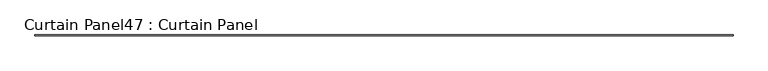
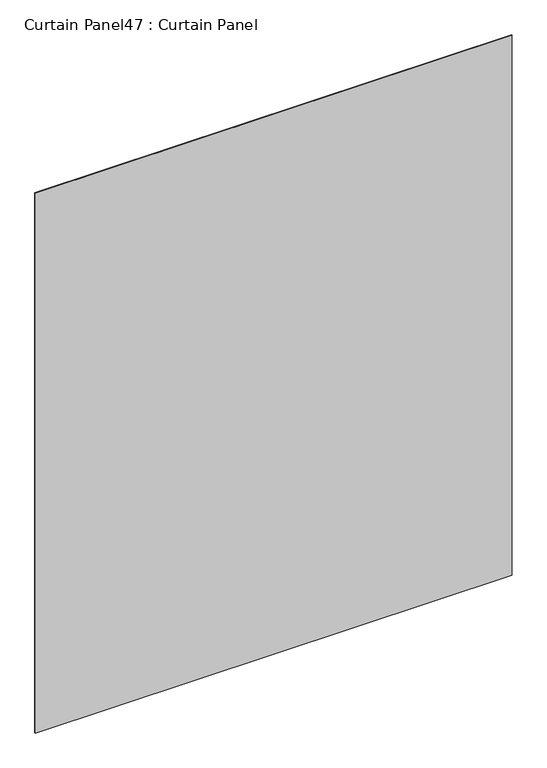
"""IFC4 building model written with IfcOpenShell, lengths in millimetres: plate geometry, Curtain Panel47 : Curtain Panel."""

from ifc_helpers import new_model, si_unit, frame, origin, place, context, project, spatial, polyline, outline, extrude, source, transform, mapped, element, save


def curtain_panel47_curtain_panel_255a4239(model_context):
    return source(origin(), model_context, "Body", "SweptSolid", [
        extrude(outline(polyline([(26584.1304088, 1762.4010947), (21351.7304088, 1762.4010947), (21351.7304088, 1768.7510947), (26584.1304088, 1768.7510947), (26584.1304088, 1762.4010947)])), frame((0.0, 0.0, 1554.4459678), z_axis=(0.0, 0.0, 1.0), x_axis=(1.0, 0.0, 0.0)), (0.0, 0.0, 1.0), 6257.0427848),
    ])


if __name__ == "__main__":
    model = new_model("IFC4")
    model_context = context("Model", 3, world=origin())
    ifc_project = project(units=[si_unit("LENGTHUNIT", "METRE", prefix="MILLI")], contexts=[model_context])
    site = spatial("IfcSite", under=ifc_project)
    building = spatial("IfcBuilding", under=site)
    placement = place(None, origin())
    curtain_panel47_curtain_panel_shape = curtain_panel47_curtain_panel_255a4239(model_context)
    element("IfcPlate", 1, ObjectType="Curtain Panel47 : Curtain Panel", at=placement, inside=building, context=model_context, shape_type="MappedRepresentation", body=[
        mapped(curtain_panel47_curtain_panel_shape, transform((0.0, 0.0, 0.0), x_axis=(1.0, 0.0, 0.0), y_axis=(0.0, 1.0, 0.0), z_axis=(0.0, 0.0, 1.0))),
    ])
    save(model, "model.ifc")
